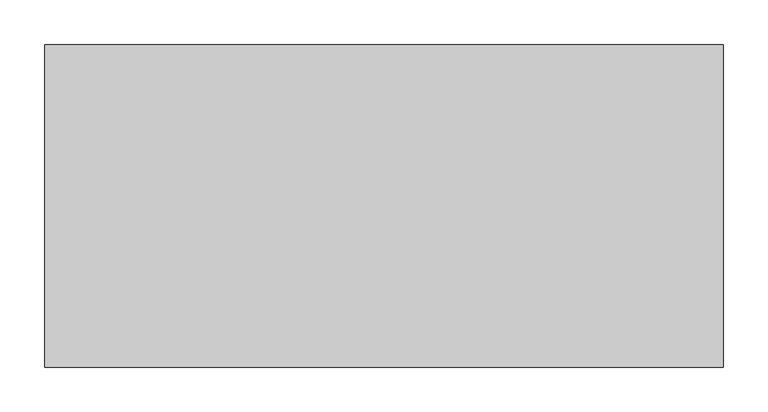
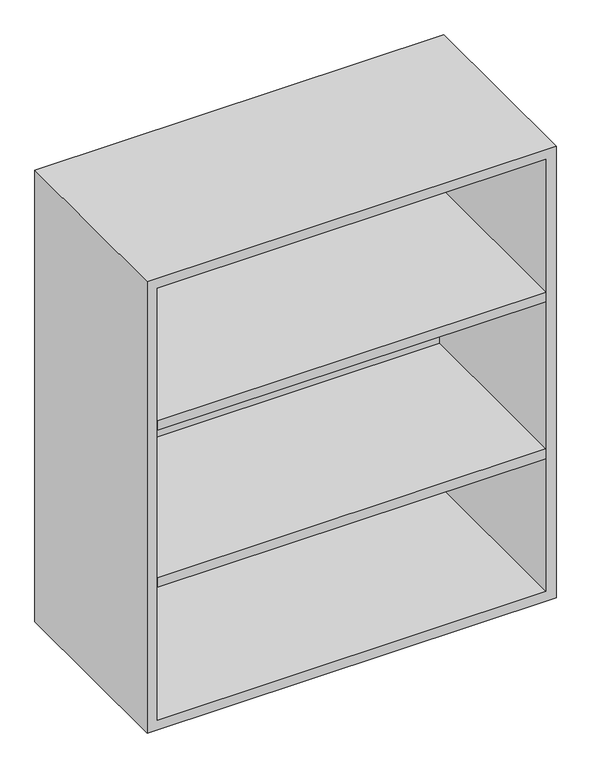
"""IFC4 building model written with IfcOpenShell, lengths in millimetres: furniture geometry."""

import ifcopenshell
import ifcopenshell.guid

model = None  # the IFC model being written
_history = None  # IfcOwnerHistory: only IFC2X3 demands one
_inside = {}  # id of a spatial element -> (the spatial element, [elements in it])
_under = {}  # id of a project, library or spatial element -> (it, [spatial elements below it])
_declared = {}  # id of a project -> (the project, [libraries it declares])
_typed = {}  # id of a type object -> (the type object, [elements of that type])
_made_of = {}  # id of a material, layer set ... -> (it, [elements and type objects made of it])


def new_model(schema):
    """Start an empty IFC model of exactly this schema.

    Asked for "IFC4X3", IfcOpenShell would pick the latest addendum, in which some entities
    have other attributes; the version numbers below select the first issue.
    IFC2X3 requires an IfcOwnerHistory on every rooted entity: one is made here for all.
    """
    global model, _history
    if schema == "IFC4X3":
        model = ifcopenshell.file(schema_version=(4, 3, 0, 0))
    else:
        model = ifcopenshell.file(schema=schema)
    _inside.clear()
    _under.clear()
    _declared.clear()
    _typed.clear()
    _made_of.clear()
    _history = None
    if model.schema == "IFC2X3":
        org = make("IfcOrganization", Name="unknown")
        user = make(
            "IfcPersonAndOrganization",
            ThePerson=make("IfcPerson", FamilyName="unknown"),
            TheOrganization=org,
        )
        app = make(
            "IfcApplication",
            ApplicationDeveloper=org,
            Version="unknown",
            ApplicationFullName="unknown",
            ApplicationIdentifier="unknown",
        )
        _history = make(
            "IfcOwnerHistory",
            OwningUser=user,
            OwningApplication=app,
            ChangeAction="ADDED",
            CreationDate=0,
        )
    return model


def make(cls, **values):
    """One entity of the class cls with the attributes given. An attribute that is None is left unset."""
    return model.create_entity(
        cls, **{name: value for name, value in values.items() if value is not None}
    )


def rooted(cls, **values):
    """An entity with a GlobalId (a new one), such as an element, a storey or a relation."""
    return make(cls, GlobalId=ifcopenshell.guid.new(), OwnerHistory=_history, **values)


def si_unit(unit_type, name, prefix=None):
    """IfcSIUnit, for example si_unit("LENGTHUNIT", "METRE", prefix="MILLI")."""
    return make("IfcSIUnit", UnitType=unit_type, Prefix=prefix, Name=name)


def assignment(units):
    """IfcUnitAssignment: the units of a project."""
    return None if units is None else make("IfcUnitAssignment", Units=units)


def point(xyz):
    """IfcCartesianPoint."""
    return None if xyz is None else make("IfcCartesianPoint", Coordinates=xyz)


def direction(xyz):
    """IfcDirection."""
    return None if xyz is None else make("IfcDirection", DirectionRatios=xyz)


def frame(location, z_axis=None, x_axis=None):
    """IfcAxis2Placement3D, a coordinate frame: its origin and axes. An axis left out is left unset."""
    return make(
        "IfcAxis2Placement3D",
        Location=point(location),
        Axis=direction(z_axis),
        RefDirection=direction(x_axis),
    )


def origin():
    """The frame at (0, 0, 0) with its axes left unset."""
    return frame((0.0, 0.0, 0.0))


def place(relative_to, where):
    """IfcLocalPlacement: puts the frame where relative to a parent placement (None: the world)."""
    return make(
        "IfcLocalPlacement", PlacementRelTo=relative_to, RelativePlacement=where
    )


def context(
    kind, dimensions, precision=None, world=None, true_north=None, identifier=None
):
    """IfcGeometricRepresentationContext, for example the 3D "Model" context."""
    return make(
        "IfcGeometricRepresentationContext",
        ContextIdentifier=identifier,
        ContextType=kind,
        CoordinateSpaceDimension=dimensions,
        Precision=precision,
        WorldCoordinateSystem=world,
        TrueNorth=true_north,
    )


def project(units=None, contexts=None):
    """IfcProject with its units and contexts."""
    return rooted(
        "IfcProject",
        Name="project",
        RepresentationContexts=contexts,
        UnitsInContext=assignment(units),
    )


def spatial(cls, under=None, at=None, **own):
    """A site, building, storey or space (cls), placed at a placement, below another one or the project."""
    s = rooted(cls, ObjectPlacement=at, **own)
    if under is not None:
        _under.setdefault(under.id(), (under, []))[1].append(s)
    return s


def polyline(points):
    """IfcPolyline through the points."""
    return make("IfcPolyline", Points=[point(p) for p in points])


def outline(outer, holes=None, kind="AREA"):
    """IfcArbitraryClosedProfileDef: a profile drawn as a closed curve; with holes, ...WithVoids."""
    if holes is None:
        return make("IfcArbitraryClosedProfileDef", ProfileType=kind, OuterCurve=outer)
    return make(
        "IfcArbitraryProfileDefWithVoids",
        ProfileType=kind,
        OuterCurve=outer,
        InnerCurves=holes,
    )


def extrude(swept, where, along, depth):
    """IfcExtrudedAreaSolid: the profile swept, set in the frame where, extruded along a direction by depth."""
    return make(
        "IfcExtrudedAreaSolid",
        SweptArea=swept,
        Position=where,
        ExtrudedDirection=direction(along),
        Depth=depth,
    )


def shape(context_of_items, identifier, shape_type, items):
    """IfcShapeRepresentation: the items that make up one representation, for example the "Body"."""
    return make(
        "IfcShapeRepresentation",
        ContextOfItems=context_of_items,
        RepresentationIdentifier=identifier,
        RepresentationType=shape_type,
        Items=items,
    )


def source(mapping_origin, context_of_items, identifier, shape_type, items):
    """IfcRepresentationMap: a shape defined once, which mapped items show again and again."""
    return make(
        "IfcRepresentationMap",
        MappingOrigin=mapping_origin,
        MappedRepresentation=shape(context_of_items, identifier, shape_type, items),
    )


def transform(
    local_origin,
    x_axis=None,
    y_axis=None,
    z_axis=None,
    scale=None,
    scale2=None,
    scale3=None,
    uniform=True,
):
    """IfcCartesianTransformationOperator3D, or its non-uniform kind. x_axis, y_axis, z_axis: its Axis1, 2, 3."""
    if uniform:
        return make(
            "IfcCartesianTransformationOperator3D",
            Axis1=direction(x_axis),
            Axis2=direction(y_axis),
            LocalOrigin=point(local_origin),
            Scale=scale,
            Axis3=direction(z_axis),
        )
    return make(
        "IfcCartesianTransformationOperator3DnonUniform",
        Axis1=direction(x_axis),
        Axis2=direction(y_axis),
        LocalOrigin=point(local_origin),
        Scale=scale,
        Axis3=direction(z_axis),
        Scale2=scale2,
        Scale3=scale3,
    )


def mapped(mapping_source, mapping_target):
    """IfcMappedItem: shows the shape of a source again, moved by a transform."""
    return make(
        "IfcMappedItem", MappingSource=mapping_source, MappingTarget=mapping_target
    )


def made_of(thing, what):
    """Note that an element or type object is made of a material, layer set ...; save() writes the relation."""
    if what is not None:
        _made_of.setdefault(what.id(), (what, []))[1].append(thing)
    return thing


def element(
    cls,
    number,
    at=None,
    inside=None,
    cuts=None,
    type_object=None,
    material=None,
    context=None,
    identifier="Body",
    shape_type=None,
    held_by="IfcProductDefinitionShape",
    body=None,
    shapes=None,
    **own,
):
    """One element of the class cls, such as IfcWall. Its Tag is "e" and its number.

    at: its placement. inside: the storey or other place that contains it. cuts: it is an
    opening in that element (IfcRelVoidsElement). A single representation is given by context,
    identifier, shape_type and body (its items); several are given by shapes. held_by: the class
    of the entity that holds the representations. save() writes the other relations.
    """
    e = rooted(cls, Tag="e%d" % number, ObjectPlacement=at, **own)
    if body is not None:
        shapes = [shape(context, identifier, shape_type, body)]
    if shapes is not None:
        e.Representation = make(held_by, Representations=shapes)
    if inside is not None:
        _inside.setdefault(inside.id(), (inside, []))[1].append(e)
    if cuts is not None:
        rooted(
            "IfcRelVoidsElement", RelatingBuildingElement=cuts, RelatedOpeningElement=e
        )
    if type_object is not None:
        _typed.setdefault(type_object.id(), (type_object, []))[1].append(e)
    return made_of(e, material)


def aggregate(whole, parts):
    """IfcRelAggregates: a whole, such as a stair, and the parts it consists of."""
    return rooted("IfcRelAggregates", RelatingObject=whole, RelatedObjects=parts)


def save(model, path):
    """Write the relations noted so far, then the file.

    IfcRelAggregates (storeys below a building ...), IfcRelContainedInSpatialStructure (elements
    in a storey), IfcRelDefinesByType, IfcRelAssociatesMaterial and IfcRelDeclares: one each for
    every whole, place, type object, material and project.
    """
    for whole, parts in _under.values():
        aggregate(whole, parts)
    for where, things in _inside.values():
        rooted(
            "IfcRelContainedInSpatialStructure",
            RelatedElements=things,
            RelatingStructure=where,
        )
    for kind, things in _typed.values():
        rooted("IfcRelDefinesByType", RelatedObjects=things, RelatingType=kind)
    for what, things in _made_of.values():
        rooted("IfcRelAssociatesMaterial", RelatedObjects=things, RelatingMaterial=what)
    for by, libraries in _declared.values():
        rooted("IfcRelDeclares", RelatingContext=by, RelatedDefinitions=libraries)
    model.write(path)


def furniture_7533c038(model_context):
    return source(origin(), model_context, "Body", "SweptSolid", [
        extrude(outline(polyline([(361.9569453, 161.925), (361.9569453, -180.975), (-361.9291641, -180.975), (-361.9291641, 161.925), (361.9569453, 161.925)])), frame((0.0, 0.0, 1326.0916667), z_axis=(0.0, 0.0, 1.0), x_axis=(1.0, 0.0, 0.0)), (0.0, 0.0, 1.0), 19.05),
        extrude(outline(polyline([(361.9569453, 161.925), (361.9569453, -180.975), (-361.9291641, -180.975), (-361.9291641, 161.925), (361.9569453, 161.925)])), frame((0.0, 0.0, 1017.0583333), z_axis=(0.0, 0.0, 1.0), x_axis=(1.0, 0.0, 0.0)), (0.0, 0.0, 1.0), 19.05),
        extrude(outline(polyline([(736.6, -380.9861094), (736.6, 381.0138906), (1625.6, 381.0138906), (1625.6, -380.9861094), (736.6, -380.9861094)]), holes=[polyline([(755.65, -361.9361094), (1606.55, -361.9361094), (1606.55, 361.9569453), (755.65, 361.9569453), (755.65, -361.9361094)])]), frame((0.0, -180.975, 0.0), z_axis=(0.0, 1.0, 0.0), x_axis=(0.0, 0.0, 1.0)), (0.0, 0.0, 1.0), 361.95),
        extrude(outline(polyline([(-361.9291641, 161.925), (-361.9291641, 180.975), (361.9569453, 180.975), (361.9569453, 161.925), (-361.9291641, 161.925)])), frame((0.0, 0.0, 755.65), z_axis=(0.0, 0.0, 1.0), x_axis=(1.0, 0.0, 0.0)), (0.0, 0.0, 1.0), 850.9),
    ])


if __name__ == "__main__":
    model = new_model("IFC4")
    model_context = context("Model", 3, world=origin())
    ifc_project = project(units=[si_unit("LENGTHUNIT", "METRE", prefix="MILLI")], contexts=[model_context])
    site = spatial("IfcSite", under=ifc_project)
    building = spatial("IfcBuilding", under=site)
    placement = place(None, origin())
    furniture_shape = furniture_7533c038(model_context)
    element("IfcFurniture", 1, at=placement, inside=building, context=model_context, shape_type="MappedRepresentation", body=[
        mapped(furniture_shape, transform((0.0, 0.0, 0.0), x_axis=(1.0, 0.0, 0.0), y_axis=(0.0, 1.0, 0.0), z_axis=(0.0, 0.0, 1.0))),
    ])
    save(model, "model.ifc")
